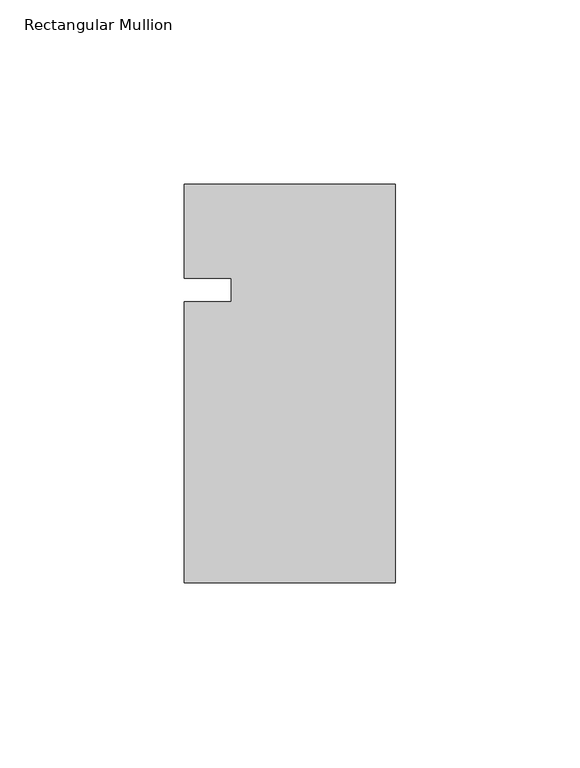
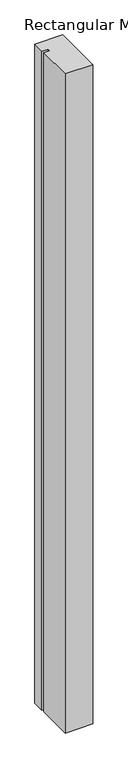
"""IFC4 building model written with IfcOpenShell, lengths in millimetres: member geometry, Rectangular Mullion."""

from ifc_helpers import new_model, si_unit, frame, origin, place, context, project, spatial, polyline, outline, extrude, source, transform, mapped, element, save


def rectangular_mullion_c9d8dff3(model_context):
    return source(origin(), model_context, "Body", "SweptSolid", [
        extrude(outline(polyline([(-57.15, -79.375), (-57.15, -3.175), (-44.4482296, -3.175), (-44.4482296, 3.175), (-57.15, 3.175), (-57.15, 28.575), (0.0, 28.575), (0.0, -79.375), (-57.15, -79.375)])), frame((0.0, 0.0, -1442.6094027), z_axis=(0.0, 0.0, 1.0), x_axis=(1.0, 0.0, 0.0)), (0.0, 0.0, 1.0), 1442.6094027),
    ])


if __name__ == "__main__":
    model = new_model("IFC4")
    model_context = context("Model", 3, world=origin())
    ifc_project = project(units=[si_unit("LENGTHUNIT", "METRE", prefix="MILLI")], contexts=[model_context])
    site = spatial("IfcSite", under=ifc_project)
    building = spatial("IfcBuilding", under=site)
    placement = place(None, origin())
    rectangular_mullion_shape = rectangular_mullion_c9d8dff3(model_context)
    element("IfcMember", 1, ObjectType="Rectangular Mullion", at=placement, inside=building, context=model_context, shape_type="MappedRepresentation", body=[
        mapped(rectangular_mullion_shape, transform((0.0, 0.0, 0.0), x_axis=(1.0, 0.0, 0.0), y_axis=(0.0, 1.0, 0.0), z_axis=(0.0, 0.0, 1.0))),
    ])
    save(model, "model.ifc")
